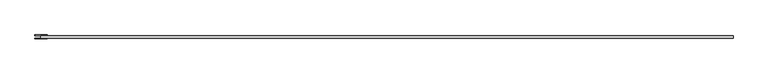
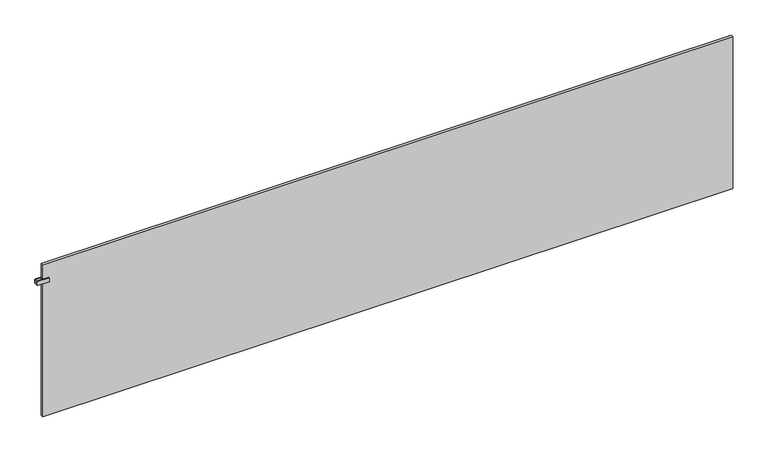
"""IFC4 building model written with IfcOpenShell, lengths in millimetres: plate geometry."""

from ifc_helpers import new_model, si_unit, point, frame, frame_2d, origin, origin_with_axes, place, context, project, spatial, polyline, circle_curve, trimmed, segment, composite_curve, outline, extrude, source, transform, mapped, element, save


def plate_9bfb80e9(model_context):
    return source(origin(), model_context, "Body", "SweptSolid", [
        extrude(outline(polyline([(-1997.5, -6.75), (-1997.5, 6.75), (-1992.5, 6.75), (-1992.5, -6.75), (-1997.5, -6.75)])), frame((0.0, 0.0, 816.5), z_axis=(0.0, 0.0, 1.0), x_axis=(1.0, 0.0, 0.0)), (0.0, 0.0, 1.0), 25.0),
        extrude(outline(composite_curve([segment(trimmed(circle_curve(frame_2d((819.5, -1963.0)), 3.0), [point((816.5, -1963.0))], [point((819.5, -1960.0))], False, "CARTESIAN"), True, "CONTINUOUS"), segment(polyline([(819.5, -1960.0), (838.5, -1960.0)]), True, "CONTINUOUS"), segment(trimmed(circle_curve(frame_2d((838.5, -1963.0)), 3.0), [point((838.5, -1960.0))], [point((841.5, -1963.0))], False, "CARTESIAN"), True, "CONTINUOUS"), segment(polyline([(841.5, -1963.0), (841.5, -2027.0)]), True, "CONTINUOUS"), segment(trimmed(circle_curve(frame_2d((838.5, -2027.0)), 3.0), [point((841.5, -2027.0))], [point((838.5, -2030.0))], False, "CARTESIAN"), True, "CONTINUOUS"), segment(polyline([(838.5, -2030.0), (819.5, -2030.0)]), True, "CONTINUOUS"), segment(trimmed(circle_curve(frame_2d((819.5, -2027.0)), 3.0), [point((819.5, -2030.0))], [point((816.5, -2027.0))], False, "CARTESIAN"), True, "CONTINUOUS"), segment(polyline([(816.5, -2027.0), (816.5, -1963.0)]), True, "CONTINUOUS")], self_intersect=False)), frame((0.0, 6.75, 0.0), z_axis=(0.0, 1.0, 0.0), x_axis=(0.0, 0.0, 1.0)), (0.0, 0.0, 1.0), 5.0),
        extrude(outline(composite_curve([segment(trimmed(circle_curve(frame_2d((819.5, -1963.0)), 3.0), [point((816.5, -1963.0))], [point((819.5, -1960.0))], False, "CARTESIAN"), True, "CONTINUOUS"), segment(polyline([(819.5, -1960.0), (838.5, -1960.0)]), True, "CONTINUOUS"), segment(trimmed(circle_curve(frame_2d((838.5, -1963.0)), 3.0), [point((838.5, -1960.0))], [point((841.5, -1963.0))], False, "CARTESIAN"), True, "CONTINUOUS"), segment(polyline([(841.5, -1963.0), (841.5, -2027.0)]), True, "CONTINUOUS"), segment(trimmed(circle_curve(frame_2d((838.5, -2027.0)), 3.0), [point((841.5, -2027.0))], [point((838.5, -2030.0))], False, "CARTESIAN"), True, "CONTINUOUS"), segment(polyline([(838.5, -2030.0), (819.5, -2030.0)]), True, "CONTINUOUS"), segment(trimmed(circle_curve(frame_2d((819.5, -2027.0)), 3.0), [point((819.5, -2030.0))], [point((816.5, -2027.0))], False, "CARTESIAN"), True, "CONTINUOUS"), segment(polyline([(816.5, -2027.0), (816.5, -1963.0)]), True, "CONTINUOUS")], self_intersect=False)), frame((0.0, -11.75, 0.0), z_axis=(0.0, 1.0, 0.0), x_axis=(0.0, 0.0, 1.0)), (0.0, 0.0, 1.0), 5.0),
        extrude(outline(polyline([(1995.0, 6.75), (1995.0, -6.75), (-1995.0, -6.75), (-1995.0, 6.75), (1995.0, 6.75)])), origin_with_axes(), (0.0, 0.0, 1.0), 929.0),
    ])


if __name__ == "__main__":
    model = new_model("IFC4")
    model_context = context("Model", 3, world=origin())
    ifc_project = project(units=[si_unit("LENGTHUNIT", "METRE", prefix="MILLI")], contexts=[model_context])
    site = spatial("IfcSite", under=ifc_project)
    building = spatial("IfcBuilding", under=site)
    placement = place(None, origin())
    plate_shape = plate_9bfb80e9(model_context)
    element("IfcPlate", 1, at=placement, inside=building, context=model_context, shape_type="MappedRepresentation", body=[
        mapped(plate_shape, transform((0.0, 0.0, 0.0), x_axis=(1.0, 0.0, 0.0), y_axis=(0.0, 1.0, 0.0), z_axis=(0.0, 0.0, 1.0))),
    ])
    save(model, "model.ifc")
